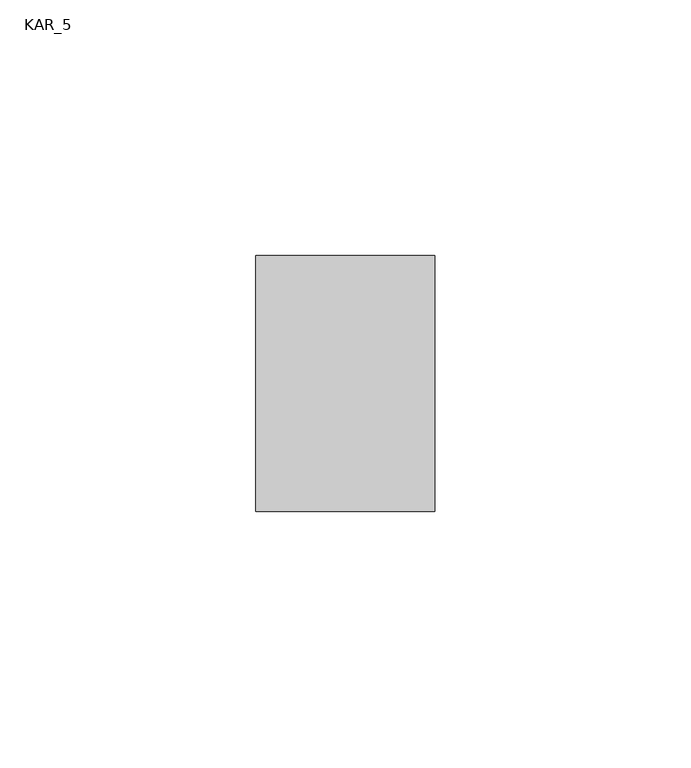
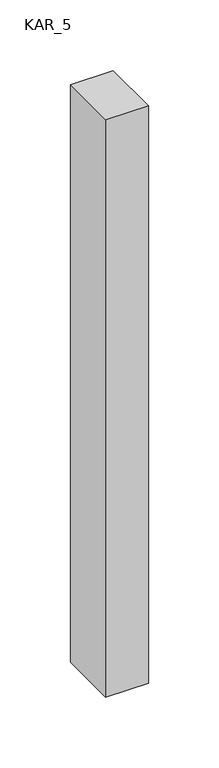
"""IFC4 building model written with IfcOpenShell, lengths in millimetres: proxy geometry, KAR_5."""

from ifc_helpers import new_model, si_unit, frame, origin, place, context, project, spatial, polyline, outline, extrude, source, transform, mapped, element, save


def kar_5_1f8df175(model_context):
    return source(origin(), model_context, "Body", "SweptSolid", [
        extrude(outline(polyline([(35.0, 50.0), (35.0, 0.0), (0.0, 0.0), (0.0, 50.0), (35.0, 50.0)])), frame((0.0, 0.0, 1800.0), z_axis=(0.0, 0.0, 1.0), x_axis=(1.0, 0.0, 0.0)), (0.0, 0.0, 1.0), 500.0),
    ])


if __name__ == "__main__":
    model = new_model("IFC4")
    model_context = context("Model", 3, world=origin())
    ifc_project = project(units=[si_unit("LENGTHUNIT", "METRE", prefix="MILLI")], contexts=[model_context])
    site = spatial("IfcSite", under=ifc_project)
    building = spatial("IfcBuilding", under=site)
    placement = place(None, origin())
    kar_5_shape = kar_5_1f8df175(model_context)
    element("IfcBuildingElementProxy", 1, Name="KAR_5", ObjectType="KAR_5", at=placement, inside=building, context=model_context, shape_type="MappedRepresentation", body=[
        mapped(kar_5_shape, transform((0.0, 0.0, 0.0), x_axis=(1.0, 0.0, 0.0), y_axis=(0.0, 1.0, 0.0), z_axis=(0.0, 0.0, 1.0))),
    ])
    save(model, "model.ifc")
